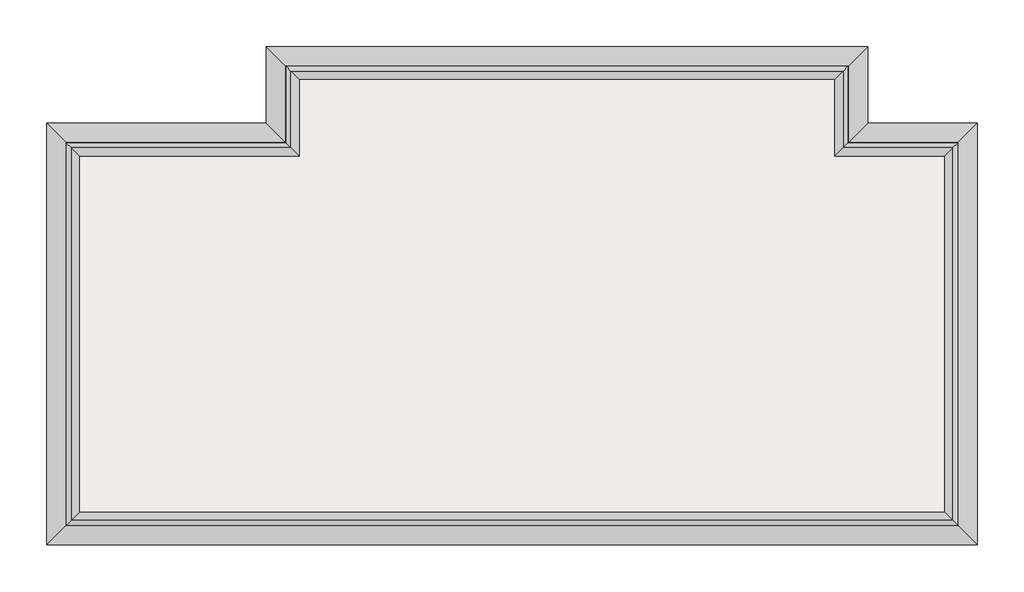
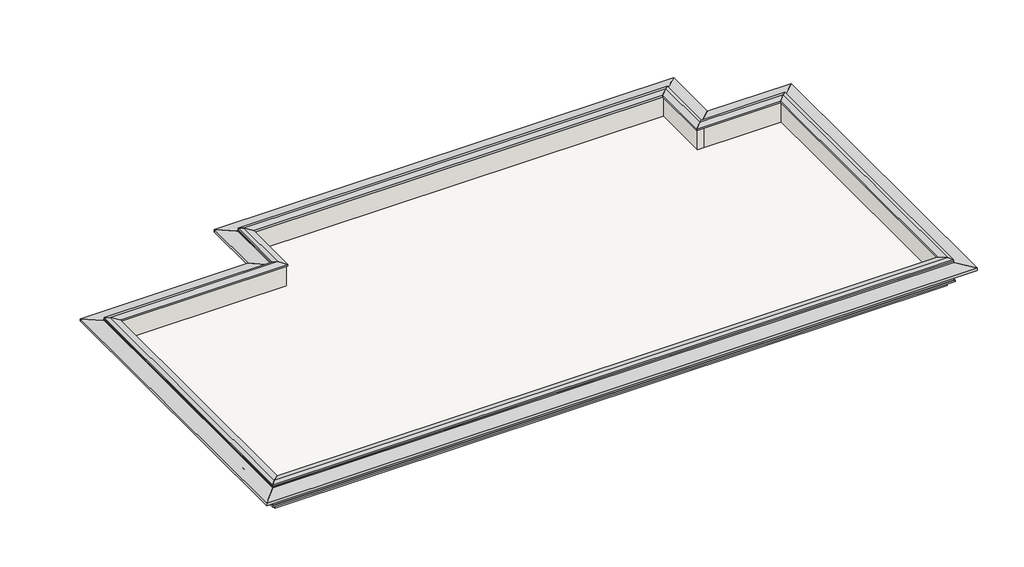
# One storey: 9 proxies, 8 walls, 1 slab.
"""IFC4 building model written with IfcOpenShell, lengths in millimetres."""

from ifc_helpers import new_model, si_unit, frame, origin, place, context, project, spatial, polyline, outline, extrude, faceted_brep, element, save

model = new_model("IFC4")

# Units and contexts
model_context = context("Model", 3, world=origin())
ifc_project = project(units=[si_unit("LENGTHUNIT", "METRE", prefix="MILLI")], contexts=[model_context])

# Site, building, storey
site = spatial("IfcSite", under=ifc_project)
building = spatial("IfcBuilding", under=site)
storey = spatial("IfcBuildingStorey", under=building, Elevation=19950.0)

# Proxies
placement = place(None, origin())
element("IfcBuildingElementProxy", 1, Name="Wall Sweeps", at=placement, inside=storey, context=model_context, shape_type="Brep", body=[
    faceted_brep([(13266.8631266, -7312.9760521, 20712.0), (13343.0631266, -7389.1760521, 20712.0), (13343.0631266, -7389.1760521, 20661.2), (13876.4631266, -7922.5760521, 20585.0), (13876.4631266, -7922.5760521, 20495.2739674), (13873.2881266, -7919.4010521, 20495.2739674), (13873.2881266, -7919.4010521, 20508.8), (13749.4631266, -7795.5760521, 20508.8), (13749.4631266, -7795.5760521, 20483.4), (13520.8631266, -7566.9760521, 20483.4), (13520.8631266, -7566.9760521, 20458.0), (13470.0631266, -7516.1760521, 20458.0), (13368.4631266, -7414.5760521, 20305.6), (13368.4631266, -7414.5760521, 20254.8), (13343.0631266, -7389.1760521, 20254.8), (13343.0631266, -7389.1760521, 20000.8), (13368.4631266, -7414.5760521, 20000.8), (13368.4631266, -7414.5760521, 19950.0), (13266.8631266, -7312.9760521, 19950.0), (-10943.1368734, -7312.9760521, 20712.0), (-10943.1368734, -7312.9760521, 19950.0), (-11044.7368734, -7414.5760521, 19950.0), (-11044.7368734, -7414.5760521, 20000.8), (-11019.3368734, -7389.1760521, 20000.8), (-11019.3368734, -7389.1760521, 20254.8), (-11044.7368734, -7414.5760521, 20254.8), (-11044.7368734, -7414.5760521, 20305.6), (-11146.3368734, -7516.1760521, 20458.0), (-11197.1368734, -7566.9760521, 20458.0), (-11197.1368734, -7566.9760521, 20483.4), (-11425.7368734, -7795.5760521, 20483.4), (-11425.7368734, -7795.5760521, 20508.8), (-11549.5618734, -7919.4010521, 20508.8), (-11549.5618734, -7919.4010521, 20495.2739674), (-11552.7368734, -7922.5760521, 20495.2739674), (-11552.7368734, -7922.5760521, 20585.0), (-11019.3368734, -7389.1760521, 20661.2), (-11019.3368734, -7389.1760521, 20712.0)], [[[0, 1, 2, 3, 4, 5, 6, 7, 8, 9, 10, 11, 12, 13, 14, 15, 16, 17, 18]], [[19, 20, 21, 22, 23, 24, 25, 26, 27, 28, 29, 30, 31, 32, 33, 34, 35, 36, 37]], [[1, 0, 19, 37]], [[2, 1, 37, 36]], [[3, 2, 36, 35]], [[4, 3, 35, 34]], [[5, 4, 34, 33]], [[6, 5, 33, 32]], [[7, 6, 32, 31]], [[8, 7, 31, 30]], [[9, 8, 30, 29]], [[10, 9, 29, 28]], [[11, 10, 28, 27]], [[12, 11, 27, 26]], [[13, 12, 26, 25]], [[14, 13, 25, 24]], [[15, 14, 24, 23]], [[16, 15, 23, 22]], [[17, 16, 22, 21]], [[18, 17, 21, 20]], [[0, 18, 20, 19]]]),
    faceted_brep([(-10943.1368734, -7312.9760521, 20712.0), (-11019.3368734, -7389.1760521, 20712.0), (-11019.3368734, -7389.1760521, 20661.2), (-11552.7368734, -7922.5760521, 20585.0), (-11552.7368734, -7922.5760521, 20495.2739674), (-11549.5618734, -7919.4010521, 20495.2739674), (-11549.5618734, -7919.4010521, 20508.8), (-11425.7368734, -7795.5760521, 20508.8), (-11425.7368734, -7795.5760521, 20483.4), (-11197.1368734, -7566.9760521, 20483.4), (-11197.1368734, -7566.9760521, 20458.0), (-11146.3368734, -7516.1760521, 20458.0), (-11044.7368734, -7414.5760521, 20305.6), (-11044.7368734, -7414.5760521, 20254.8), (-11019.3368734, -7389.1760521, 20254.8), (-11019.3368734, -7389.1760521, 20000.8), (-11044.7368734, -7414.5760521, 20000.8), (-11044.7368734, -7414.5760521, 19950.0), (-10943.1368734, -7312.9760521, 19950.0), (-10943.1368734, 2997.0239479, 20712.0), (-10943.1368734, 2997.0239479, 19950.0), (-11044.7368734, 3098.6239479, 19950.0), (-11044.7368734, 3098.6239479, 20000.8), (-11019.3368734, 3073.2239479, 20000.8), (-11019.3368734, 3073.2239479, 20254.8), (-11044.7368734, 3098.6239479, 20254.8), (-11044.7368734, 3098.6239479, 20305.6), (-11146.3368734, 3200.2239479, 20458.0), (-11197.1368734, 3251.0239479, 20458.0), (-11197.1368734, 3251.0239479, 20483.4), (-11425.7368734, 3479.6239479, 20483.4), (-11425.7368734, 3479.6239479, 20508.8), (-11549.5618734, 3603.4489479, 20508.8), (-11549.5618734, 3603.4489479, 20495.2739674), (-11552.7368734, 3606.6239479, 20495.2739674), (-11552.7368734, 3606.6239479, 20585.0), (-11019.3368734, 3073.2239479, 20661.2), (-11019.3368734, 3073.2239479, 20712.0)], [[[0, 1, 2, 3, 4, 5, 6, 7, 8, 9, 10, 11, 12, 13, 14, 15, 16, 17, 18]], [[19, 20, 21, 22, 23, 24, 25, 26, 27, 28, 29, 30, 31, 32, 33, 34, 35, 36, 37]], [[1, 0, 19, 37]], [[2, 1, 37, 36]], [[3, 2, 36, 35]], [[4, 3, 35, 34]], [[5, 4, 34, 33]], [[6, 5, 33, 32]], [[7, 6, 32, 31]], [[8, 7, 31, 30]], [[9, 8, 30, 29]], [[10, 9, 29, 28]], [[11, 10, 28, 27]], [[12, 11, 27, 26]], [[13, 12, 26, 25]], [[14, 13, 25, 24]], [[15, 14, 24, 23]], [[16, 15, 23, 22]], [[17, 16, 22, 21]], [[18, 17, 21, 20]], [[0, 18, 20, 19]]]),
    faceted_brep([(-10943.1368734, 2997.0239479, 20712.0), (-11019.3368734, 3073.2239479, 20712.0), (-11019.3368734, 3073.2239479, 20661.2), (-11552.7368734, 3606.6239479, 20585.0), (-11552.7368734, 3606.6239479, 20495.2739674), (-11549.5618734, 3603.4489479, 20495.2739674), (-11549.5618734, 3603.4489479, 20508.8), (-11425.7368734, 3479.6239479, 20508.8), (-11425.7368734, 3479.6239479, 20483.4), (-11197.1368734, 3251.0239479, 20483.4), (-11197.1368734, 3251.0239479, 20458.0), (-11146.3368734, 3200.2239479, 20458.0), (-11044.7368734, 3098.6239479, 20305.6), (-11044.7368734, 3098.6239479, 20254.8), (-11019.3368734, 3073.2239479, 20254.8), (-11019.3368734, 3073.2239479, 20000.8), (-11044.7368734, 3098.6239479, 20000.8), (-11044.7368734, 3098.6239479, 19950.0), (-10943.1368734, 2997.0239479, 19950.0), (-4943.1368734, 2997.0239479, 20712.0), (-4943.1368734, 2997.0239479, 19950.0), (-5044.7368734, 3098.6239479, 19950.0), (-5044.7368734, 3098.6239479, 20000.8), (-5019.3368734, 3073.2239479, 20000.8), (-5019.3368734, 3073.2239479, 20254.8), (-5044.7368734, 3098.6239479, 20254.8), (-5044.7368734, 3098.6239479, 20305.6), (-5146.3368734, 3200.2239479, 20458.0), (-5197.1368734, 3251.0239479, 20458.0), (-5197.1368734, 3251.0239479, 20483.4), (-5425.7368734, 3479.6239479, 20483.4), (-5425.7368734, 3479.6239479, 20508.8), (-5549.5618734, 3603.4489479, 20508.8), (-5549.5618734, 3603.4489479, 20495.2739674), (-5552.7368734, 3606.6239479, 20495.2739674), (-5552.7368734, 3606.6239479, 20585.0), (-5019.3368734, 3073.2239479, 20661.2), (-5019.3368734, 3073.2239479, 20712.0)], [[[0, 1, 2, 3, 4, 5, 6, 7, 8, 9, 10, 11, 12, 13, 14, 15, 16, 17, 18]], [[19, 20, 21, 22, 23, 24, 25, 26, 27, 28, 29, 30, 31, 32, 33, 34, 35, 36, 37]], [[1, 0, 19, 37]], [[2, 1, 37, 36]], [[3, 2, 36, 35]], [[4, 3, 35, 34]], [[5, 4, 34, 33]], [[6, 5, 33, 32]], [[7, 6, 32, 31]], [[8, 7, 31, 30]], [[9, 8, 30, 29]], [[10, 9, 29, 28]], [[11, 10, 28, 27]], [[12, 11, 27, 26]], [[13, 12, 26, 25]], [[14, 13, 25, 24]], [[15, 14, 24, 23]], [[16, 15, 23, 22]], [[17, 16, 22, 21]], [[18, 17, 21, 20]], [[0, 18, 20, 19]]]),
    faceted_brep([(-4943.1368734, 2997.0239479, 20712.0), (-5019.3368734, 3073.2239479, 20712.0), (-5019.3368734, 3073.2239479, 20661.2), (-5552.7368734, 3606.6239479, 20585.0), (-5552.7368734, 3606.6239479, 20495.2739674), (-5549.5618734, 3603.4489479, 20495.2739674), (-5549.5618734, 3603.4489479, 20508.8), (-5425.7368734, 3479.6239479, 20508.8), (-5425.7368734, 3479.6239479, 20483.4), (-5197.1368734, 3251.0239479, 20483.4), (-5197.1368734, 3251.0239479, 20458.0), (-5146.3368734, 3200.2239479, 20458.0), (-5044.7368734, 3098.6239479, 20305.6), (-5044.7368734, 3098.6239479, 20254.8), (-5019.3368734, 3073.2239479, 20254.8), (-5019.3368734, 3073.2239479, 20000.8), (-5044.7368734, 3098.6239479, 20000.8), (-5044.7368734, 3098.6239479, 19950.0), (-4943.1368734, 2997.0239479, 19950.0), (-4943.1368734, 5097.0239479, 20712.0), (-4943.1368734, 5097.0239479, 19950.0), (-5044.7368734, 5198.6239479, 19950.0), (-5044.7368734, 5198.6239479, 20000.8), (-5019.3368734, 5173.2239479, 20000.8), (-5019.3368734, 5173.2239479, 20254.8), (-5044.7368734, 5198.6239479, 20254.8), (-5044.7368734, 5198.6239479, 20305.6), (-5146.3368734, 5300.2239479, 20458.0), (-5197.1368734, 5351.0239479, 20458.0), (-5197.1368734, 5351.0239479, 20483.4), (-5425.7368734, 5579.6239479, 20483.4), (-5425.7368734, 5579.6239479, 20508.8), (-5549.5618734, 5703.4489479, 20508.8), (-5549.5618734, 5703.4489479, 20495.2739674), (-5552.7368734, 5706.6239479, 20495.2739674), (-5552.7368734, 5706.6239479, 20585.0), (-5019.3368734, 5173.2239479, 20661.2), (-5019.3368734, 5173.2239479, 20712.0)], [[[0, 1, 2, 3, 4, 5, 6, 7, 8, 9, 10, 11, 12, 13, 14, 15, 16, 17, 18]], [[19, 20, 21, 22, 23, 24, 25, 26, 27, 28, 29, 30, 31, 32, 33, 34, 35, 36, 37]], [[1, 0, 19, 37]], [[2, 1, 37, 36]], [[3, 2, 36, 35]], [[4, 3, 35, 34]], [[5, 4, 34, 33]], [[6, 5, 33, 32]], [[7, 6, 32, 31]], [[8, 7, 31, 30]], [[9, 8, 30, 29]], [[10, 9, 29, 28]], [[11, 10, 28, 27]], [[12, 11, 27, 26]], [[13, 12, 26, 25]], [[14, 13, 25, 24]], [[15, 14, 24, 23]], [[16, 15, 23, 22]], [[17, 16, 22, 21]], [[18, 17, 21, 20]], [[0, 18, 20, 19]]]),
    faceted_brep([(-4943.1368734, 5097.0239479, 20712.0), (-5019.3368734, 5173.2239479, 20712.0), (-5019.3368734, 5173.2239479, 20661.2), (-5552.7368734, 5706.6239479, 20585.0), (-5552.7368734, 5706.6239479, 20495.2739674), (-5549.5618734, 5703.4489479, 20495.2739674), (-5549.5618734, 5703.4489479, 20508.8), (-5425.7368734, 5579.6239479, 20508.8), (-5425.7368734, 5579.6239479, 20483.4), (-5197.1368734, 5351.0239479, 20483.4), (-5197.1368734, 5351.0239479, 20458.0), (-5146.3368734, 5300.2239479, 20458.0), (-5044.7368734, 5198.6239479, 20305.6), (-5044.7368734, 5198.6239479, 20254.8), (-5019.3368734, 5173.2239479, 20254.8), (-5019.3368734, 5173.2239479, 20000.8), (-5044.7368734, 5198.6239479, 20000.8), (-5044.7368734, 5198.6239479, 19950.0), (-4943.1368734, 5097.0239479, 19950.0), (10266.8631266, 5097.0239479, 20712.0), (10266.8631266, 5097.0239479, 19950.0), (10368.4631266, 5198.6239479, 19950.0), (10368.4631266, 5198.6239479, 20000.8), (10343.0631266, 5173.2239479, 20000.8), (10343.0631266, 5173.2239479, 20254.8), (10368.4631266, 5198.6239479, 20254.8), (10368.4631266, 5198.6239479, 20305.6), (10470.0631266, 5300.2239479, 20458.0), (10520.8631266, 5351.0239479, 20458.0), (10520.8631266, 5351.0239479, 20483.4), (10749.4631266, 5579.6239479, 20483.4), (10749.4631266, 5579.6239479, 20508.8), (10873.2881266, 5703.4489479, 20508.8), (10873.2881266, 5703.4489479, 20495.2739674), (10876.4631266, 5706.6239479, 20495.2739674), (10876.4631266, 5706.6239479, 20585.0), (10343.0631266, 5173.2239479, 20661.2), (10343.0631266, 5173.2239479, 20712.0)], [[[0, 1, 2, 3, 4, 5, 6, 7, 8, 9, 10, 11, 12, 13, 14, 15, 16, 17, 18]], [[19, 20, 21, 22, 23, 24, 25, 26, 27, 28, 29, 30, 31, 32, 33, 34, 35, 36, 37]], [[1, 0, 19, 37]], [[2, 1, 37, 36]], [[3, 2, 36, 35]], [[4, 3, 35, 34]], [[5, 4, 34, 33]], [[6, 5, 33, 32]], [[7, 6, 32, 31]], [[8, 7, 31, 30]], [[9, 8, 30, 29]], [[10, 9, 29, 28]], [[11, 10, 28, 27]], [[12, 11, 27, 26]], [[13, 12, 26, 25]], [[14, 13, 25, 24]], [[15, 14, 24, 23]], [[16, 15, 23, 22]], [[17, 16, 22, 21]], [[18, 17, 21, 20]], [[0, 18, 20, 19]]]),
    faceted_brep([(10266.8631266, 5097.0239479, 20712.0), (10343.0631266, 5173.2239479, 20712.0), (10343.0631266, 5173.2239479, 20661.2), (10876.4631266, 5706.6239479, 20585.0), (10876.4631266, 5706.6239479, 20495.2739674), (10873.2881266, 5703.4489479, 20495.2739674), (10873.2881266, 5703.4489479, 20508.8), (10749.4631266, 5579.6239479, 20508.8), (10749.4631266, 5579.6239479, 20483.4), (10520.8631266, 5351.0239479, 20483.4), (10520.8631266, 5351.0239479, 20458.0), (10470.0631266, 5300.2239479, 20458.0), (10368.4631266, 5198.6239479, 20305.6), (10368.4631266, 5198.6239479, 20254.8), (10343.0631266, 5173.2239479, 20254.8), (10343.0631266, 5173.2239479, 20000.8), (10368.4631266, 5198.6239479, 20000.8), (10368.4631266, 5198.6239479, 19950.0), (10266.8631266, 5097.0239479, 19950.0), (10266.8631266, 2997.0239479, 20712.0), (10266.8631266, 2997.0239479, 19950.0), (10368.4631266, 3098.6239479, 19950.0), (10368.4631266, 3098.6239479, 20000.8), (10343.0631266, 3073.2239479, 20000.8), (10343.0631266, 3073.2239479, 20254.8), (10368.4631266, 3098.6239479, 20254.8), (10368.4631266, 3098.6239479, 20305.6), (10470.0631266, 3200.2239479, 20458.0), (10520.8631266, 3251.0239479, 20458.0), (10520.8631266, 3251.0239479, 20483.4), (10749.4631266, 3479.6239479, 20483.4), (10749.4631266, 3479.6239479, 20508.8), (10873.2881266, 3603.4489479, 20508.8), (10873.2881266, 3603.4489479, 20495.2739674), (10876.4631266, 3606.6239479, 20495.2739674), (10876.4631266, 3606.6239479, 20585.0), (10343.0631266, 3073.2239479, 20661.2), (10343.0631266, 3073.2239479, 20712.0)], [[[0, 1, 2, 3, 4, 5, 6, 7, 8, 9, 10, 11, 12, 13, 14, 15, 16, 17, 18]], [[19, 20, 21, 22, 23, 24, 25, 26, 27, 28, 29, 30, 31, 32, 33, 34, 35, 36, 37]], [[1, 0, 19, 37]], [[2, 1, 37, 36]], [[3, 2, 36, 35]], [[4, 3, 35, 34]], [[5, 4, 34, 33]], [[6, 5, 33, 32]], [[7, 6, 32, 31]], [[8, 7, 31, 30]], [[9, 8, 30, 29]], [[10, 9, 29, 28]], [[11, 10, 28, 27]], [[12, 11, 27, 26]], [[13, 12, 26, 25]], [[14, 13, 25, 24]], [[15, 14, 24, 23]], [[16, 15, 23, 22]], [[17, 16, 22, 21]], [[18, 17, 21, 20]], [[0, 18, 20, 19]]]),
    faceted_brep([(10266.8631266, 2997.0239479, 20712.0), (10343.0631266, 3073.2239479, 20712.0), (10343.0631266, 3073.2239479, 20661.2), (10876.4631266, 3606.6239479, 20585.0), (10876.4631266, 3606.6239479, 20495.2739674), (10873.2881266, 3603.4489479, 20495.2739674), (10873.2881266, 3603.4489479, 20508.8), (10749.4631266, 3479.6239479, 20508.8), (10749.4631266, 3479.6239479, 20483.4), (10520.8631266, 3251.0239479, 20483.4), (10520.8631266, 3251.0239479, 20458.0), (10470.0631266, 3200.2239479, 20458.0), (10368.4631266, 3098.6239479, 20305.6), (10368.4631266, 3098.6239479, 20254.8), (10343.0631266, 3073.2239479, 20254.8), (10343.0631266, 3073.2239479, 20000.8), (10368.4631266, 3098.6239479, 20000.8), (10368.4631266, 3098.6239479, 19950.0), (10266.8631266, 2997.0239479, 19950.0), (13266.8631266, 2997.0239479, 20712.0), (13266.8631266, 2997.0239479, 19950.0), (13368.4631266, 3098.6239479, 19950.0), (13368.4631266, 3098.6239479, 20000.8), (13343.0631266, 3073.2239479, 20000.8), (13343.0631266, 3073.2239479, 20254.8), (13368.4631266, 3098.6239479, 20254.8), (13368.4631266, 3098.6239479, 20305.6), (13470.0631266, 3200.2239479, 20458.0), (13520.8631266, 3251.0239479, 20458.0), (13520.8631266, 3251.0239479, 20483.4), (13749.4631266, 3479.6239479, 20483.4), (13749.4631266, 3479.6239479, 20508.8), (13873.2881266, 3603.4489479, 20508.8), (13873.2881266, 3603.4489479, 20495.2739674), (13876.4631266, 3606.6239479, 20495.2739674), (13876.4631266, 3606.6239479, 20585.0), (13343.0631266, 3073.2239479, 20661.2), (13343.0631266, 3073.2239479, 20712.0)], [[[0, 1, 2, 3, 4, 5, 6, 7, 8, 9, 10, 11, 12, 13, 14, 15, 16, 17, 18]], [[19, 20, 21, 22, 23, 24, 25, 26, 27, 28, 29, 30, 31, 32, 33, 34, 35, 36, 37]], [[1, 0, 19, 37]], [[2, 1, 37, 36]], [[3, 2, 36, 35]], [[4, 3, 35, 34]], [[5, 4, 34, 33]], [[6, 5, 33, 32]], [[7, 6, 32, 31]], [[8, 7, 31, 30]], [[9, 8, 30, 29]], [[10, 9, 29, 28]], [[11, 10, 28, 27]], [[12, 11, 27, 26]], [[13, 12, 26, 25]], [[14, 13, 25, 24]], [[15, 14, 24, 23]], [[16, 15, 23, 22]], [[17, 16, 22, 21]], [[18, 17, 21, 20]], [[0, 18, 20, 19]]]),
    faceted_brep([(13266.8631266, 2997.0239479, 20712.0), (13343.0631266, 3073.2239479, 20712.0), (13343.0631266, 3073.2239479, 20661.2), (13876.4631266, 3606.6239479, 20585.0), (13876.4631266, 3606.6239479, 20495.2739674), (13873.2881266, 3603.4489479, 20495.2739674), (13873.2881266, 3603.4489479, 20508.8), (13749.4631266, 3479.6239479, 20508.8), (13749.4631266, 3479.6239479, 20483.4), (13520.8631266, 3251.0239479, 20483.4), (13520.8631266, 3251.0239479, 20458.0), (13470.0631266, 3200.2239479, 20458.0), (13368.4631266, 3098.6239479, 20305.6), (13368.4631266, 3098.6239479, 20254.8), (13343.0631266, 3073.2239479, 20254.8), (13343.0631266, 3073.2239479, 20000.8), (13368.4631266, 3098.6239479, 20000.8), (13368.4631266, 3098.6239479, 19950.0), (13266.8631266, 2997.0239479, 19950.0), (13266.8631266, -7312.9760521, 20712.0), (13266.8631266, -7312.9760521, 19950.0), (13368.4631266, -7414.5760521, 19950.0), (13368.4631266, -7414.5760521, 20000.8), (13343.0631266, -7389.1760521, 20000.8), (13343.0631266, -7389.1760521, 20254.8), (13368.4631266, -7414.5760521, 20254.8), (13368.4631266, -7414.5760521, 20305.6), (13470.0631266, -7516.1760521, 20458.0), (13520.8631266, -7566.9760521, 20458.0), (13520.8631266, -7566.9760521, 20483.4), (13749.4631266, -7795.5760521, 20483.4), (13749.4631266, -7795.5760521, 20508.8), (13873.2881266, -7919.4010521, 20508.8), (13873.2881266, -7919.4010521, 20495.2739674), (13876.4631266, -7922.5760521, 20495.2739674), (13876.4631266, -7922.5760521, 20585.0), (13343.0631266, -7389.1760521, 20661.2), (13343.0631266, -7389.1760521, 20712.0)], [[[0, 1, 2, 3, 4, 5, 6, 7, 8, 9, 10, 11, 12, 13, 14, 15, 16, 17, 18]], [[19, 20, 21, 22, 23, 24, 25, 26, 27, 28, 29, 30, 31, 32, 33, 34, 35, 36, 37]], [[1, 0, 19, 37]], [[2, 1, 37, 36]], [[3, 2, 36, 35]], [[4, 3, 35, 34]], [[5, 4, 34, 33]], [[6, 5, 33, 32]], [[7, 6, 32, 31]], [[8, 7, 31, 30]], [[9, 8, 30, 29]], [[10, 9, 29, 28]], [[11, 10, 28, 27]], [[12, 11, 27, 26]], [[13, 12, 26, 25]], [[14, 13, 25, 24]], [[15, 14, 24, 23]], [[16, 15, 23, 22]], [[17, 16, 22, 21]], [[18, 17, 21, 20]], [[0, 18, 20, 19]]]),
])
element("IfcBuildingElementProxy", 2, Name="Wall Sweeps", at=placement, inside=storey, context=model_context, shape_type="Brep", body=[
    faceted_brep([(-10652.9368734, -7022.7760521, 20775.5), (-10881.5368734, -7251.3760521, 20813.6), (-11008.5368734, -7378.3760521, 20775.5), (-11008.5368734, -7378.3760521, 20712.0), (-10652.9368734, -7022.7760521, 20712.0), (-10652.9368734, 2706.8239479, 20775.5), (-10652.9368734, 2706.8239479, 20712.0), (-11008.5368734, 3062.4239479, 20712.0), (-11008.5368734, 3062.4239479, 20775.5), (-10881.5368734, 2935.4239479, 20813.6)], [[[0, 1, 2, 3, 4]], [[5, 6, 7, 8, 9]], [[1, 0, 5, 9]], [[2, 1, 9, 8]], [[3, 2, 8, 7]], [[4, 3, 7, 6]], [[0, 4, 6, 5]]]),
])
element("IfcBuildingElementProxy", 3, Name="Wall Sweeps", at=placement, inside=storey, context=model_context, shape_type="Brep", body=[
    faceted_brep([(-10652.9368734, 2706.8239479, 20775.5), (-10881.5368734, 2935.4239479, 20813.6), (-11008.5368734, 3062.4239479, 20775.5), (-11008.5368734, 3062.4239479, 20712.0), (-10652.9368734, 2706.8239479, 20712.0), (-4652.9368734, 2706.8239479, 20775.5), (-4652.9368734, 2706.8239479, 20712.0), (-5008.5368734, 3062.4239479, 20712.0), (-5008.5368734, 3062.4239479, 20775.5), (-4881.5368734, 2935.4239479, 20813.6)], [[[0, 1, 2, 3, 4]], [[5, 6, 7, 8, 9]], [[1, 0, 5, 9]], [[2, 1, 9, 8]], [[3, 2, 8, 7]], [[4, 3, 7, 6]], [[0, 4, 6, 5]]]),
])
element("IfcBuildingElementProxy", 4, Name="Wall Sweeps", at=placement, inside=storey, context=model_context, shape_type="Brep", body=[
    faceted_brep([(-4652.9368734, 2706.8239479, 20775.5), (-4881.5368734, 2935.4239479, 20813.6), (-5008.5368734, 3062.4239479, 20775.5), (-5008.5368734, 3062.4239479, 20712.0), (-4652.9368734, 2706.8239479, 20712.0), (-4652.9368734, 4806.8239479, 20775.5), (-4652.9368734, 4806.8239479, 20712.0), (-5008.5368734, 5162.4239479, 20712.0), (-5008.5368734, 5162.4239479, 20775.5), (-4881.5368734, 5035.4239479, 20813.6)], [[[0, 1, 2, 3, 4]], [[5, 6, 7, 8, 9]], [[1, 0, 5, 9]], [[2, 1, 9, 8]], [[3, 2, 8, 7]], [[4, 3, 7, 6]], [[0, 4, 6, 5]]]),
])
element("IfcBuildingElementProxy", 5, Name="Wall Sweeps", at=placement, inside=storey, context=model_context, shape_type="Brep", body=[
    faceted_brep([(-4652.9368734, 4806.8239479, 20775.5), (-4881.5368734, 5035.4239479, 20813.6), (-5008.5368734, 5162.4239479, 20775.5), (-5008.5368734, 5162.4239479, 20712.0), (-4652.9368734, 4806.8239479, 20712.0), (9976.6631266, 4806.8239479, 20775.5), (9976.6631266, 4806.8239479, 20712.0), (10332.2631266, 5162.4239479, 20712.0), (10332.2631266, 5162.4239479, 20775.5), (10205.2631266, 5035.4239479, 20813.6)], [[[0, 1, 2, 3, 4]], [[5, 6, 7, 8, 9]], [[1, 0, 5, 9]], [[2, 1, 9, 8]], [[3, 2, 8, 7]], [[4, 3, 7, 6]], [[0, 4, 6, 5]]]),
])
element("IfcBuildingElementProxy", 6, Name="Wall Sweeps", at=placement, inside=storey, context=model_context, shape_type="Brep", body=[
    faceted_brep([(9976.6631266, 4806.8239479, 20775.5), (10205.2631266, 5035.4239479, 20813.6), (10332.2631266, 5162.4239479, 20775.5), (10332.2631266, 5162.4239479, 20712.0), (9976.6631266, 4806.8239479, 20712.0), (9976.6631266, 2706.8239479, 20775.5), (9976.6631266, 2706.8239479, 20712.0), (10332.2631266, 3062.4239479, 20712.0), (10332.2631266, 3062.4239479, 20775.5), (10205.2631266, 2935.4239479, 20813.6)], [[[0, 1, 2, 3, 4]], [[5, 6, 7, 8, 9]], [[1, 0, 5, 9]], [[2, 1, 9, 8]], [[3, 2, 8, 7]], [[4, 3, 7, 6]], [[0, 4, 6, 5]]]),
])
element("IfcBuildingElementProxy", 7, Name="Wall Sweeps", at=placement, inside=storey, context=model_context, shape_type="Brep", body=[
    faceted_brep([(9976.6631266, 2706.8239479, 20775.5), (10205.2631266, 2935.4239479, 20813.6), (10332.2631266, 3062.4239479, 20775.5), (10332.2631266, 3062.4239479, 20712.0), (9976.6631266, 2706.8239479, 20712.0), (12976.6631266, 2706.8239479, 20775.5), (12976.6631266, 2706.8239479, 20712.0), (13332.2631266, 3062.4239479, 20712.0), (13332.2631266, 3062.4239479, 20775.5), (13205.2631266, 2935.4239479, 20813.6)], [[[0, 1, 2, 3, 4]], [[5, 6, 7, 8, 9]], [[1, 0, 5, 9]], [[2, 1, 9, 8]], [[3, 2, 8, 7]], [[4, 3, 7, 6]], [[0, 4, 6, 5]]]),
])
element("IfcBuildingElementProxy", 8, Name="Wall Sweeps", at=placement, inside=storey, context=model_context, shape_type="Brep", body=[
    faceted_brep([(12976.6631266, 2706.8239479, 20775.5), (13205.2631266, 2935.4239479, 20813.6), (13332.2631266, 3062.4239479, 20775.5), (13332.2631266, 3062.4239479, 20712.0), (12976.6631266, 2706.8239479, 20712.0), (12976.6631266, -7022.7760521, 20775.5), (12976.6631266, -7022.7760521, 20712.0), (13332.2631266, -7378.3760521, 20712.0), (13332.2631266, -7378.3760521, 20775.5), (13205.2631266, -7251.3760521, 20813.6)], [[[0, 1, 2, 3, 4]], [[5, 6, 7, 8, 9]], [[1, 0, 5, 9]], [[2, 1, 9, 8]], [[3, 2, 8, 7]], [[4, 3, 7, 6]], [[0, 4, 6, 5]]]),
])
element("IfcBuildingElementProxy", 9, Name="Wall Sweeps", at=placement, inside=storey, context=model_context, shape_type="Brep", body=[
    faceted_brep([(12976.6631266, -7022.7760521, 20775.5), (13205.2631266, -7251.3760521, 20813.6), (13332.2631266, -7378.3760521, 20775.5), (13332.2631266, -7378.3760521, 20712.0), (12976.6631266, -7022.7760521, 20712.0), (-10652.9368734, -7022.7760521, 20775.5), (-10652.9368734, -7022.7760521, 20712.0), (-11008.5368734, -7378.3760521, 20712.0), (-11008.5368734, -7378.3760521, 20775.5), (-10881.5368734, -7251.3760521, 20813.6)], [[[0, 1, 2, 3, 4]], [[5, 6, 7, 8, 9]], [[1, 0, 5, 9]], [[2, 1, 9, 8]], [[3, 2, 8, 7]], [[4, 3, 7, 6]], [[0, 4, 6, 5]]]),
])

# Slab
element("IfcSlab", 10, at=placement, inside=storey, context=model_context, shape_type="SweptSolid", body=[
    extrude(outline(polyline([(-10863.1368734, 2917.0239479), (-4863.1368734, 2917.0239479), (-4863.1368734, 5017.0239479), (10186.8631266, 5017.0239479), (10186.8631266, 2917.0239479), (13186.8631266, 2917.0239479), (13186.8631266, -7232.9760521), (-10863.1368734, -7232.9760521), (-10863.1368734, 2917.0239479)])), frame((0.0, 0.0, 19750.0), z_axis=(0.0, 0.0, 1.0), x_axis=(1.0, 0.0, 0.0)), (0.0, 0.0, 1.0), 200.0),
])

# Walls
element("IfcWall", 11, at=placement, inside=storey, context=model_context, shape_type="Brep", body=[
    faceted_brep([(-10688.1368734, -7312.9760521, 19950.0), (-10688.1368734, -7057.9760521, 19950.0), (-10688.1368734, 2742.0239479, 19950.0), (-10688.1368734, 2997.0239479, 19950.0), (-10688.1368734, 2997.0239479, 20712.0), (-10688.1368734, 2742.0239479, 20712.0), (-10688.1368734, -7057.9760521, 20712.0), (-10688.1368734, -7312.9760521, 20712.0), (-10943.1368734, 2997.0239479, 19950.0), (-10943.1368734, -7312.9760521, 19950.0), (-10943.1368734, -7312.9760521, 20712.0), (-10943.1368734, 2997.0239479, 20712.0)], [[[0, 1, 2, 3, 4, 5, 6, 7]], [[8, 9, 10, 11]], [[3, 2, 1, 0, 9, 8]], [[7, 6, 5, 4, 11, 10]], [[4, 3, 8, 11]], [[0, 7, 10, 9]]]),
])
element("IfcWall", 12, at=placement, inside=storey, context=model_context, shape_type="Brep", body=[
    faceted_brep([(-10688.1368734, 2742.0239479, 19950.0), (-4688.1368734, 2742.0239479, 19950.0), (-4688.1368734, 2742.0239479, 20712.0), (-10688.1368734, 2742.0239479, 20712.0), (-10688.1368734, 2997.0239479, 19950.0), (-10688.1368734, 2997.0239479, 20712.0), (-4943.1368734, 2997.0239479, 20712.0), (-4688.1368734, 2997.0239479, 20712.0), (-4688.1368734, 2997.0239479, 19950.0), (-4943.1368734, 2997.0239479, 19950.0)], [[[0, 1, 2, 3]], [[4, 5, 6, 7, 8, 9]], [[1, 0, 4, 9, 8]], [[3, 2, 7, 6, 5]], [[0, 3, 5, 4]], [[2, 1, 8, 7]]]),
])
element("IfcWall", 13, at=placement, inside=storey, context=model_context, shape_type="Brep", body=[
    faceted_brep([(-4688.1368734, 2997.0239479, 19950.0), (-4688.1368734, 4842.0239479, 19950.0), (-4688.1368734, 5097.0239479, 19950.0), (-4688.1368734, 5097.0239479, 20712.0), (-4688.1368734, 4842.0239479, 20712.0), (-4688.1368734, 2997.0239479, 20712.0), (-4943.1368734, 5097.0239479, 19950.0), (-4943.1368734, 2997.0239479, 19950.0), (-4943.1368734, 2997.0239479, 20712.0), (-4943.1368734, 5097.0239479, 20712.0)], [[[0, 1, 2, 3, 4, 5]], [[6, 7, 8, 9]], [[2, 1, 0, 7, 6]], [[5, 4, 3, 9, 8]], [[0, 5, 8, 7]], [[3, 2, 6, 9]]]),
])
element("IfcWall", 14, at=placement, inside=storey, context=model_context, shape_type="Brep", body=[
    faceted_brep([(-4688.1368734, 4842.0239479, 19950.0), (10011.8631266, 4842.0239479, 19950.0), (10266.8631266, 4842.0239479, 19950.0), (10266.8631266, 4842.0239479, 20712.0), (10011.8631266, 4842.0239479, 20712.0), (-4688.1368734, 4842.0239479, 20712.0), (10266.8631266, 5097.0239479, 19950.0), (-4688.1368734, 5097.0239479, 19950.0), (-4688.1368734, 5097.0239479, 20712.0), (10266.8631266, 5097.0239479, 20712.0)], [[[0, 1, 2, 3, 4, 5]], [[6, 7, 8, 9]], [[2, 1, 0, 7, 6]], [[5, 4, 3, 9, 8]], [[0, 5, 8, 7]], [[3, 2, 6, 9]]]),
])
element("IfcWall", 15, at=placement, inside=storey, context=model_context, shape_type="Brep", body=[
    faceted_brep([(10011.8631266, 4842.0239479, 19950.0), (10011.8631266, 2742.0239479, 19950.0), (10011.8631266, 2742.0239479, 20712.0), (10011.8631266, 4842.0239479, 20712.0), (10266.8631266, 4842.0239479, 19950.0), (10266.8631266, 4842.0239479, 20712.0), (10266.8631266, 2997.0239479, 20712.0), (10266.8631266, 2742.0239479, 20712.0), (10266.8631266, 2742.0239479, 19950.0), (10266.8631266, 2997.0239479, 19950.0)], [[[0, 1, 2, 3]], [[4, 5, 6, 7, 8, 9]], [[1, 0, 4, 9, 8]], [[3, 2, 7, 6, 5]], [[0, 3, 5, 4]], [[2, 1, 8, 7]]]),
])
element("IfcWall", 16, at=placement, inside=storey, context=model_context, shape_type="Brep", body=[
    faceted_brep([(10266.8631266, 2742.0239479, 19950.0), (13011.8631266, 2742.0239479, 19950.0), (13266.8631266, 2742.0239479, 19950.0), (13266.8631266, 2742.0239479, 20712.0), (13011.8631266, 2742.0239479, 20712.0), (10266.8631266, 2742.0239479, 20712.0), (13266.8631266, 2997.0239479, 19950.0), (10266.8631266, 2997.0239479, 19950.0), (10266.8631266, 2997.0239479, 20712.0), (13266.8631266, 2997.0239479, 20712.0)], [[[0, 1, 2, 3, 4, 5]], [[6, 7, 8, 9]], [[2, 1, 0, 7, 6]], [[5, 4, 3, 9, 8]], [[0, 5, 8, 7]], [[3, 2, 6, 9]]]),
])
element("IfcWall", 17, at=placement, inside=storey, context=model_context, shape_type="Brep", body=[
    faceted_brep([(13011.8631266, 2742.0239479, 19950.0), (13011.8631266, -7057.9760521, 19950.0), (13011.8631266, -7312.9760521, 19950.0), (13011.8631266, -7312.9760521, 20712.0), (13011.8631266, -7057.9760521, 20712.0), (13011.8631266, 2742.0239479, 20712.0), (13266.8631266, -7312.9760521, 19950.0), (13266.8631266, 2742.0239479, 19950.0), (13266.8631266, 2742.0239479, 20712.0), (13266.8631266, -7312.9760521, 20712.0)], [[[0, 1, 2, 3, 4, 5]], [[6, 7, 8, 9]], [[2, 1, 0, 7, 6]], [[5, 4, 3, 9, 8]], [[0, 5, 8, 7]], [[3, 2, 6, 9]]]),
])
element("IfcWall", 18, at=placement, inside=storey, context=model_context, shape_type="SweptSolid", body=[
    extrude(outline(polyline([(-10688.1368734, -7057.9760521), (13011.8631266, -7057.9760521), (13011.8631266, -7312.9760521), (-10688.1368734, -7312.9760521), (-10688.1368734, -7057.9760521)])), frame((0.0, 0.0, 19950.0), z_axis=(0.0, 0.0, 1.0), x_axis=(1.0, 0.0, 0.0)), (0.0, 0.0, 1.0), 762.0),
])

save(model, "model.ifc")
